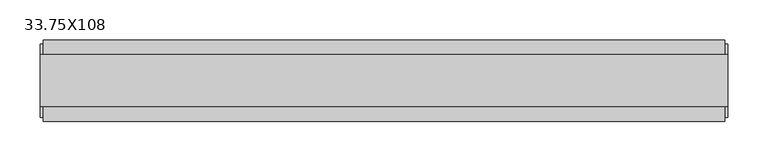
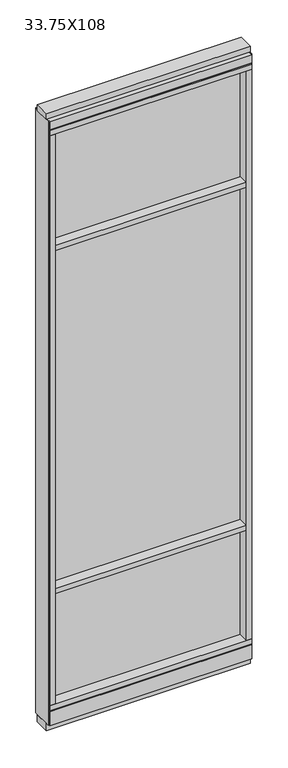
"""IFC4 building model written with IfcOpenShell, lengths in millimetres: furniture geometry, 33.75X108."""

from ifc_helpers import new_model, si_unit, frame, origin, origin_with_axes, place, context, project, spatial, polyline, outline, extrude, source, transform, mapped, element, save


def furniture_33_75x108_3cde8376(model_context):
    return source(origin(), model_context, "Body", "SweptSolid", [
        extrude(outline(polyline([(-462.4995229, 0.5622784), (342.4264771, 0.5622784), (342.4264771, -9.5977216), (-462.4995229, -9.5977216), (-462.4995229, 0.5622784)])), frame((0.0, 0.0, 2155.825), z_axis=(0.0, 0.0, 1.0), x_axis=(1.0, 0.0, 0.0)), (0.0, 0.0, 1.0), 498.475),
        extrude(outline(polyline([(-462.4995229, 0.5622784), (342.4264771, 0.5622784), (342.4264771, -9.5977216), (-462.4995229, -9.5977216), (-462.4995229, 0.5622784)])), frame((0.0, 0.0, 631.825), z_axis=(0.0, 0.0, 1.0), x_axis=(1.0, 0.0, 0.0)), (0.0, 0.0, 1.0), 1501.775),
        extrude(outline(polyline([(-462.4995229, -52.3332216), (-462.4995229, 43.2977784), (342.4264771, 43.2977784), (342.4264771, -52.3332216), (-462.4995229, -52.3332216)])), frame((0.0, 0.0, 2133.6), z_axis=(0.0, 0.0, 1.0), x_axis=(1.0, 0.0, 0.0)), (0.0, 0.0, 1.0), 22.225),
        extrude(outline(polyline([(-462.4995229, -52.3332216), (-462.4995229, 43.2977784), (342.4264771, 43.2977784), (342.4264771, -52.3332216), (-462.4995229, -52.3332216)])), frame((0.0, 0.0, 609.6), z_axis=(0.0, 0.0, 1.0), x_axis=(1.0, 0.0, 0.0)), (0.0, 0.0, 1.0), 22.225),
        extrude(outline(polyline([(342.4264771, -9.5977216), (-462.4995229, -9.5977216), (-462.4995229, 0.5622784), (342.4264771, 0.5622784), (342.4264771, -9.5977216)])), frame((0.0, 0.0, 120.523), z_axis=(0.0, 0.0, 1.0), x_axis=(1.0, 0.0, 0.0)), (0.0, 0.0, 1.0), 489.077),
        extrude(outline(polyline([(-55.3177216, 93.345), (-50.3647216, 93.345), (-50.3647216, 98.298), (41.3292784, 98.298), (41.3292784, 93.345), (46.2822784, 93.345), (46.2822784, 31.75), (-55.3177216, 31.75), (-55.3177216, 93.345)])), frame((-484.7245229, 0.0, 0.0), z_axis=(1.0, 0.0, 0.0), x_axis=(0.0, 1.0, 0.0)), (0.0, 0.0, 1.0), 849.376),
        extrude(outline(polyline([(-484.7245229, -55.3177216), (-484.7245229, 46.2822784), (364.6514771, 46.2822784), (364.6514771, -55.3177216), (-484.7245229, -55.3177216)])), frame((0.0, 0.0, 98.298), z_axis=(0.0, 0.0, 1.0), x_axis=(1.0, 0.0, 0.0)), (0.0, 0.0, 1.0), 22.225),
        extrude(outline(polyline([(368.5884771, 27.9942784), (368.5884771, -37.0297216), (-488.6615229, -37.0297216), (-488.6615229, 27.9942784), (368.5884771, 27.9942784)])), origin_with_axes(), (0.0, 0.0, 1.0), 31.75),
        extrude(outline(polyline([(-488.6615229, -37.0297216), (-488.6615229, 27.9942784), (368.5884771, 27.9942784), (368.5884771, -37.0297216), (-488.6615229, -37.0297216)])), frame((0.0, 0.0, 2717.8), z_axis=(0.0, 0.0, 1.0), x_axis=(1.0, 0.0, 0.0)), (0.0, 0.0, 1.0), 25.4),
        extrude(outline(polyline([(-55.3177216, 2681.478), (-55.3177216, 2717.8), (46.2822784, 2717.8), (46.2822784, 2681.478), (41.3292784, 2681.478), (41.3292784, 2676.525), (-50.3647216, 2676.525), (-50.3647216, 2681.478), (-55.3177216, 2681.478)])), frame((-484.7245229, 0.0, 0.0), z_axis=(1.0, 0.0, 0.0), x_axis=(0.0, 1.0, 0.0)), (0.0, 0.0, 1.0), 849.376),
        extrude(outline(polyline([(364.6514771, 46.2822784), (364.6514771, -55.3177216), (-484.7245229, -55.3177216), (-484.7245229, 46.2822784), (364.6514771, 46.2822784)])), frame((0.0, 0.0, 2654.3), z_axis=(0.0, 0.0, 1.0), x_axis=(1.0, 0.0, 0.0)), (0.0, 0.0, 1.0), 22.225),
        extrude(outline(polyline([(342.4264771, -55.3177216), (342.4264771, 46.2822784), (364.6514771, 46.2822784), (364.6514771, -55.3177216), (342.4264771, -55.3177216)])), frame((0.0, 0.0, 120.523), z_axis=(0.0, 0.0, 1.0), x_axis=(1.0, 0.0, 0.0)), (0.0, 0.0, 1.0), 2533.777),
        extrude(outline(polyline([(-462.4995229, -55.3177216), (-484.7245229, -55.3177216), (-484.7245229, 46.2822784), (-462.4995229, 46.2822784), (-462.4995229, -55.3177216)])), frame((0.0, 0.0, 120.523), z_axis=(0.0, 0.0, 1.0), x_axis=(1.0, 0.0, 0.0)), (0.0, 0.0, 1.0), 2533.777),
        extrude(outline(polyline([(368.5884771, -50.3647216), (364.6514771, -50.3647216), (364.6514771, 41.3292784), (368.5884771, 41.3292784), (368.5884771, -50.3647216)])), frame((0.0, 0.0, 31.75), z_axis=(0.0, 0.0, 1.0), x_axis=(1.0, 0.0, 0.0)), (0.0, 0.0, 1.0), 2686.05),
        extrude(outline(polyline([(-488.6615229, -50.3647216), (-488.6615229, 41.3292784), (-484.7245229, 41.3292784), (-484.7245229, -50.3647216), (-488.6615229, -50.3647216)])), frame((0.0, 0.0, 31.75), z_axis=(0.0, 0.0, 1.0), x_axis=(1.0, 0.0, 0.0)), (0.0, 0.0, 1.0), 2686.05),
    ])


if __name__ == "__main__":
    model = new_model("IFC4")
    model_context = context("Model", 3, world=origin())
    ifc_project = project(units=[si_unit("LENGTHUNIT", "METRE", prefix="MILLI")], contexts=[model_context])
    site = spatial("IfcSite", under=ifc_project)
    building = spatial("IfcBuilding", under=site)
    placement = place(None, origin())
    furniture_33_75x108_shape = furniture_33_75x108_3cde8376(model_context)
    element("IfcFurniture", 1, ObjectType="33.75X108", at=placement, inside=building, context=model_context, shape_type="MappedRepresentation", body=[
        mapped(furniture_33_75x108_shape, transform((0.0, 0.0, 0.0), x_axis=(1.0, 0.0, 0.0), y_axis=(0.0, 1.0, 0.0), z_axis=(0.0, 0.0, 1.0))),
    ])
    save(model, "model.ifc")
